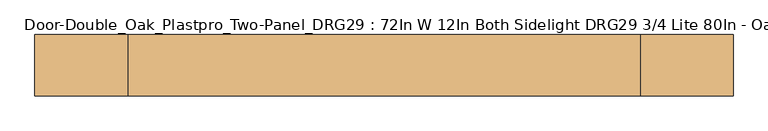
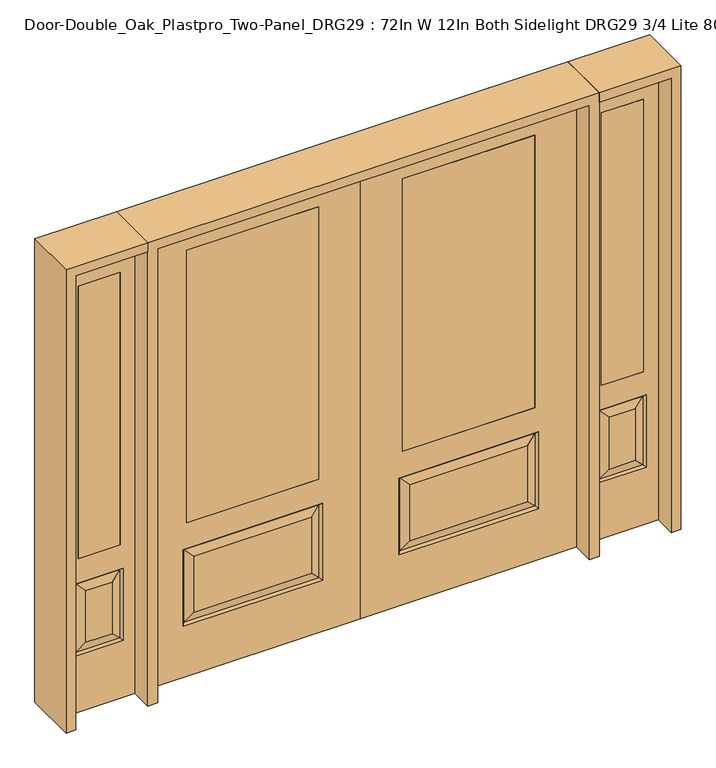
"""IFC4 building model written with IfcOpenShell, lengths in millimetres: door geometry, Door-Double_Oak_Plastpro_Two-Panel_DRG29 : 72In W 12In Both Sidelight DRG29 3/4 Lite 80In - Oak."""

from ifc_helpers import new_model, si_unit, frame, origin, place, context, project, spatial, polyline, outline, extrude, faceted_brep, source, transform, mapped, element, save


def door_double_oak_plastpro_two_panel_drg29_72in_w_12in_both_7bb23634(model_context):
    return source(origin(), model_context, "Body", "SolidModel", [
        extrude(outline(polyline([(736.6, -20.6375), (177.8, -20.6375), (177.8, 20.6375), (736.6, 20.6375), (736.6, -20.6375)])), frame((0.0, 0.0, 685.8), z_axis=(0.0, 0.0, 1.0), x_axis=(1.0, 0.0, 0.0)), (0.0, 0.0, 1.0), 1219.2),
        faceted_brep([(706.3224548, -20.6375, 274.7525452), (706.3224548, -20.6375, 525.3474548), (208.0775452, -20.6375, 525.3474548), (208.0775452, -20.6375, 274.7525452), (0.0, -20.6375, 2032.0), (0.0, -20.6375, 0.0), (914.4, -20.6375, 0.0), (914.4, -20.6375, 2032.0), (162.0400452, -20.6375, 228.7150452), (162.0400452, -20.6375, 571.3849548), (752.3599548, -20.6375, 571.3849548), (752.3599548, -20.6375, 228.7150452), (736.6, -20.6375, 1905.0), (736.6, -20.6375, 685.8), (177.8, -20.6375, 685.8), (177.8, -20.6375, 1905.0), (736.6, 20.6375, 1905.0), (736.6, 20.6375, 685.8), (177.8, 20.6375, 685.8), (208.0775452, 20.6375, 274.7525452), (208.0775452, 20.6375, 525.3474548), (706.3224548, 20.6375, 525.3474548), (706.3224548, 20.6375, 274.7525452), (914.4, 20.6375, 2032.0), (914.4, 20.6375, 0.0), (0.0, 20.6375, 0.0), (0.0, 20.6375, 2032.0), (752.3599548, 20.6375, 228.7150452), (752.3599548, 20.6375, 571.3849548), (162.0400452, 20.6375, 571.3849548), (162.0400452, 20.6375, 228.7150452), (177.8, 20.6375, 1905.0), (171.0203014, -11.6572439, 237.6953014), (743.3796986, -11.6572439, 237.6953014), (743.3796986, -11.6572439, 562.4046986), (171.0203014, -11.6572439, 562.4046986), (171.0203014, 11.6572439, 237.6953014), (743.3796986, 11.6572439, 237.6953014), (743.3796986, 11.6572439, 562.4046986), (171.0203014, 11.6572439, 562.4046986)], [[[0, 1, 2, 3]], [[4, 5, 6, 7], [8, 9, 10, 11], [12, 13, 14, 15]], [[16, 17, 13, 12]], [[17, 18, 14, 13]], [[19, 20, 21, 22]], [[23, 24, 25, 26], [27, 28, 29, 30], [31, 18, 17, 16]], [[15, 14, 18, 31]], [[6, 5, 25, 24]], [[7, 6, 24, 23]], [[26, 25, 5, 4]], [[32, 8, 11, 33]], [[11, 10, 34, 33]], [[10, 9, 35, 34]], [[32, 35, 9, 8]], [[33, 0, 3, 32]], [[3, 2, 35, 32]], [[34, 35, 2, 1]], [[33, 34, 1, 0]], [[36, 19, 22, 37]], [[22, 21, 38, 37]], [[21, 20, 39, 38]], [[36, 39, 20, 19]], [[37, 27, 30, 36]], [[30, 29, 39, 36]], [[38, 39, 29, 28]], [[37, 38, 28, 27]], [[12, 15, 31, 16]], [[7, 23, 26, 4]]]),
        extrude(outline(polyline([(-736.6, -20.6375), (-736.6, 20.6375), (-177.8, 20.6375), (-177.8, -20.6375), (-736.6, -20.6375)])), frame((0.0, 0.0, 685.8), z_axis=(0.0, 0.0, 1.0), x_axis=(1.0, 0.0, 0.0)), (0.0, 0.0, 1.0), 1219.2),
        faceted_brep([(-706.3224548, -20.6375, 274.7525452), (-208.0775452, -20.6375, 274.7525452), (-208.0775452, -20.6375, 525.3474548), (-706.3224548, -20.6375, 525.3474548), (0.0, -20.6375, 2032.0), (-914.4, -20.6375, 2032.0), (-914.4, -20.6375, 0.0), (0.0, -20.6375, 0.0), (-162.0400452, -20.6375, 228.7150452), (-752.3599548, -20.6375, 228.7150452), (-752.3599548, -20.6375, 571.3849548), (-162.0400452, -20.6375, 571.3849548), (-736.6, -20.6375, 1905.0), (-177.8, -20.6375, 1905.0), (-177.8, -20.6375, 685.8), (-736.6, -20.6375, 685.8), (-736.6, 20.6375, 1905.0), (-736.6, 20.6375, 685.8), (-177.8, 20.6375, 685.8), (-208.0775452, 20.6375, 274.7525452), (-706.3224548, 20.6375, 274.7525452), (-706.3224548, 20.6375, 525.3474548), (-208.0775452, 20.6375, 525.3474548), (-914.4, 20.6375, 2032.0), (0.0, 20.6375, 2032.0), (0.0, 20.6375, 0.0), (-914.4, 20.6375, 0.0), (-752.3599548, 20.6375, 228.7150452), (-162.0400452, 20.6375, 228.7150452), (-162.0400452, 20.6375, 571.3849548), (-752.3599548, 20.6375, 571.3849548), (-177.8, 20.6375, 1905.0), (-171.0203014, -11.6572439, 237.6953014), (-743.3796986, -11.6572439, 237.6953014), (-743.3796986, -11.6572439, 562.4046986), (-171.0203014, -11.6572439, 562.4046986), (-171.0203014, 11.6572439, 237.6953014), (-743.3796986, 11.6572439, 237.6953014), (-743.3796986, 11.6572439, 562.4046986), (-171.0203014, 11.6572439, 562.4046986)], [[[0, 1, 2, 3]], [[4, 5, 6, 7], [8, 9, 10, 11], [12, 13, 14, 15]], [[16, 12, 15, 17]], [[17, 15, 14, 18]], [[19, 20, 21, 22]], [[23, 24, 25, 26], [27, 28, 29, 30], [31, 16, 17, 18]], [[13, 31, 18, 14]], [[6, 26, 25, 7]], [[5, 23, 26, 6]], [[24, 4, 7, 25]], [[32, 33, 9, 8]], [[9, 33, 34, 10]], [[10, 34, 35, 11]], [[32, 8, 11, 35]], [[33, 32, 1, 0]], [[1, 32, 35, 2]], [[34, 3, 2, 35]], [[33, 0, 3, 34]], [[36, 37, 20, 19]], [[20, 37, 38, 21]], [[21, 38, 39, 22]], [[36, 19, 22, 39]], [[37, 36, 28, 27]], [[28, 36, 39, 29]], [[38, 30, 29, 39]], [[37, 27, 30, 38]], [[12, 16, 31, 13]], [[5, 4, 24, 23]]]),
        extrude(outline(polyline([(1196.975, -20.6375), (1019.175, -20.6375), (1019.175, 20.6375), (1196.975, 20.6375), (1196.975, -20.6375)])), frame((0.0, 0.0, 685.8), z_axis=(0.0, 0.0, 1.0), x_axis=(1.0, 0.0, 0.0)), (0.0, 0.0, 1.0), 1219.2),
        faceted_brep([(1196.975, -20.6375, 1905.0), (1019.175, -20.6375, 1905.0), (1019.175, 20.6375, 1905.0), (1196.975, 20.6375, 1905.0), (1163.5224548, -20.6375, 531.6974548), (1052.6275452, -20.6375, 531.6974548), (1052.6275452, -20.6375, 300.1525452), (1163.5224548, -20.6375, 300.1525452), (955.675, -20.6375, 2032.0), (955.675, -20.6375, 0.0), (1260.475, -20.6375, 0.0), (1260.475, -20.6375, 2032.0), (1196.975, -20.6375, 685.8), (1019.175, -20.6375, 685.8), (1209.5599548, -20.6375, 254.1150452), (1006.5900452, -20.6375, 254.1150452), (1006.5900452, -20.6375, 577.7349548), (1209.5599548, -20.6375, 577.7349548), (1200.5796986, 11.6572439, 568.7546986), (1209.5599548, 20.6375, 577.7349548), (1209.5599548, 20.6375, 254.1150452), (1200.5796986, 11.6572439, 263.0953014), (1015.5703014, 11.6572439, 568.7546986), (1006.5900452, 20.6375, 577.7349548), (1163.5224548, 20.6375, 300.1525452), (1163.5224548, 20.6375, 531.6974548), (1196.975, 20.6375, 685.8), (1019.175, 20.6375, 685.8), (1015.5703014, -11.6572439, 263.0953014), (1200.5796986, -11.6572439, 263.0953014), (1015.5703014, -11.6572439, 568.7546986), (1200.5796986, -11.6572439, 568.7546986), (955.675, 20.6375, 2032.0), (1260.475, 20.6375, 2032.0), (955.675, 20.6375, 0.0), (1260.475, 20.6375, 0.0), (1006.5900452, 20.6375, 254.1150452), (1052.6275452, 20.6375, 300.1525452), (1052.6275452, 20.6375, 531.6974548), (1015.5703014, 11.6572439, 263.0953014)], [[[0, 1, 2, 3]], [[4, 5, 6, 7]], [[8, 9, 10, 11], [0, 12, 13, 1], [14, 15, 16, 17]], [[18, 19, 20, 21]], [[18, 22, 23, 19]], [[21, 24, 25, 18]], [[26, 27, 13, 12]], [[7, 6, 28, 29]], [[6, 5, 30, 28]], [[29, 14, 17, 31]], [[32, 8, 11, 33]], [[34, 35, 10, 9]], [[32, 34, 9, 8]], [[11, 10, 35, 33]], [[33, 35, 34, 32], [19, 23, 36, 20], [2, 27, 26, 3]], [[24, 37, 38, 25]], [[20, 36, 39, 21]], [[36, 23, 22, 39]], [[25, 38, 22, 18]], [[39, 22, 38, 37]], [[21, 39, 37, 24]], [[3, 26, 12, 0]], [[1, 13, 27, 2]], [[31, 4, 7, 29]], [[31, 30, 5, 4]], [[17, 16, 30, 31]], [[28, 30, 16, 15]], [[29, 28, 15, 14]]]),
        extrude(outline(polyline([(-1196.975, -20.6375), (-1196.975, 20.6375), (-1019.175, 20.6375), (-1019.175, -20.6375), (-1196.975, -20.6375)])), frame((0.0, 0.0, 685.8), z_axis=(0.0, 0.0, 1.0), x_axis=(1.0, 0.0, 0.0)), (0.0, 0.0, 1.0), 1219.2),
        faceted_brep([(-1196.975, -20.6375, 1905.0), (-1196.975, 20.6375, 1905.0), (-1019.175, 20.6375, 1905.0), (-1019.175, -20.6375, 1905.0), (-1163.5224548, -20.6375, 531.6974548), (-1163.5224548, -20.6375, 300.1525452), (-1052.6275452, -20.6375, 300.1525452), (-1052.6275452, -20.6375, 531.6974548), (-955.675, -20.6375, 2032.0), (-1260.475, -20.6375, 2032.0), (-1260.475, -20.6375, 0.0), (-955.675, -20.6375, 0.0), (-1209.5599548, -20.6375, 254.1150452), (-1209.5599548, -20.6375, 577.7349548), (-1006.5900452, -20.6375, 577.7349548), (-1006.5900452, -20.6375, 254.1150452), (-1019.175, -20.6375, 685.8), (-1196.975, -20.6375, 685.8), (-1200.5796986, 11.6572439, 568.7546986), (-1200.5796986, 11.6572439, 263.0953014), (-1209.5599548, 20.6375, 254.1150452), (-1209.5599548, 20.6375, 577.7349548), (-1006.5900452, 20.6375, 577.7349548), (-1015.5703014, 11.6572439, 568.7546986), (-1163.5224548, 20.6375, 531.6974548), (-1163.5224548, 20.6375, 300.1525452), (-1196.975, 20.6375, 685.8), (-1019.175, 20.6375, 685.8), (-1200.5796986, -11.6572439, 263.0953014), (-1015.5703014, -11.6572439, 263.0953014), (-1015.5703014, -11.6572439, 568.7546986), (-1200.5796986, -11.6572439, 568.7546986), (-955.675, 20.6375, 2032.0), (-1260.475, 20.6375, 2032.0), (-955.675, 20.6375, 0.0), (-1260.475, 20.6375, 0.0), (-1006.5900452, 20.6375, 254.1150452), (-1052.6275452, 20.6375, 531.6974548), (-1052.6275452, 20.6375, 300.1525452), (-1015.5703014, 11.6572439, 263.0953014)], [[[0, 1, 2, 3]], [[4, 5, 6, 7]], [[8, 9, 10, 11], [12, 13, 14, 15], [0, 3, 16, 17]], [[18, 19, 20, 21]], [[18, 21, 22, 23]], [[19, 18, 24, 25]], [[26, 17, 16, 27]], [[5, 28, 29, 6]], [[6, 29, 30, 7]], [[28, 31, 13, 12]], [[32, 33, 9, 8]], [[34, 11, 10, 35]], [[32, 8, 11, 34]], [[9, 33, 35, 10]], [[33, 32, 34, 35], [21, 20, 36, 22], [2, 1, 26, 27]], [[25, 24, 37, 38]], [[20, 19, 39, 36]], [[36, 39, 23, 22]], [[24, 18, 23, 37]], [[39, 38, 37, 23]], [[19, 25, 38, 39]], [[1, 0, 17, 26]], [[3, 2, 27, 16]], [[31, 28, 5, 4]], [[31, 4, 7, 30]], [[13, 31, 30, 14]], [[29, 15, 14, 30]], [[28, 12, 15, 29]]]),
        extrude(outline(polyline([(2032.0, -955.675), (2073.275, -955.675), (2073.275, -1301.75), (0.0, -1301.75), (0.0, -1260.475), (2032.0, -1260.475), (2032.0, -955.675)])), frame((0.0, -114.3, 0.0), z_axis=(0.0, 1.0, 0.0), x_axis=(0.0, 0.0, 1.0)), (0.0, 0.0, 1.0), 228.6),
        extrude(outline(polyline([(2073.275, -955.675), (0.0, -955.675), (0.0, -914.4), (2032.0, -914.4), (2032.0, 914.4), (0.0, 914.4), (0.0, 955.675), (2073.275, 955.675), (2073.275, -955.675)])), frame((0.0, -114.3, 0.0), z_axis=(0.0, 1.0, 0.0), x_axis=(0.0, 0.0, 1.0)), (0.0, 0.0, 1.0), 228.6),
        extrude(outline(polyline([(0.0, 1260.475), (0.0, 1301.75), (2073.275, 1301.75), (2073.275, 955.675), (2032.0, 955.675), (2032.0, 1260.475), (0.0, 1260.475)])), frame((0.0, -114.3, 0.0), z_axis=(0.0, 1.0, 0.0), x_axis=(0.0, 0.0, 1.0)), (0.0, 0.0, 1.0), 228.6),
    ])


if __name__ == "__main__":
    model = new_model("IFC4")
    model_context = context("Model", 3, world=origin())
    ifc_project = project(units=[si_unit("LENGTHUNIT", "METRE", prefix="MILLI")], contexts=[model_context])
    site = spatial("IfcSite", under=ifc_project)
    building = spatial("IfcBuilding", under=site)
    placement = place(None, origin())
    door_double_oak_plastpro_two_panel_drg29_72in_w_12in_both_shape = door_double_oak_plastpro_two_panel_drg29_72in_w_12in_both_7bb23634(model_context)
    element("IfcDoor", 1, ObjectType="Door-Double_Oak_Plastpro_Two-Panel_DRG29 : 72In W 12In Both Sidelight DRG29 3/4 Lite 80In - Oak", at=placement, inside=building, context=model_context, shape_type="MappedRepresentation", body=[
        mapped(door_double_oak_plastpro_two_panel_drg29_72in_w_12in_both_shape, transform((0.0, 0.0, 0.0), x_axis=(1.0, 0.0, 0.0), y_axis=(0.0, 1.0, 0.0), z_axis=(0.0, 0.0, 1.0))),
    ])
    save(model, "model.ifc")
